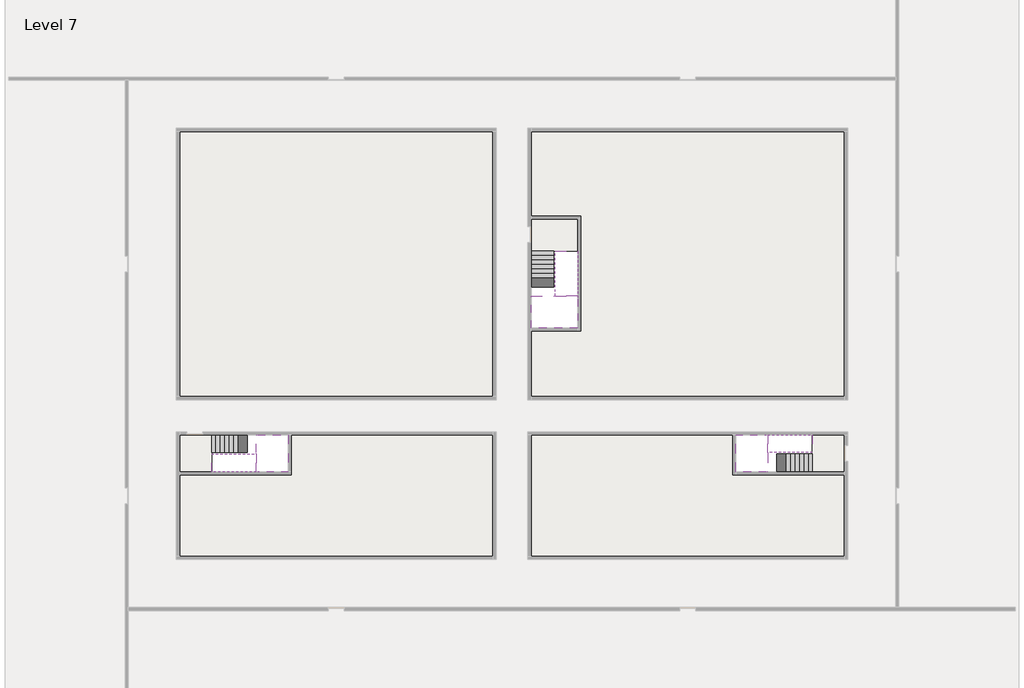
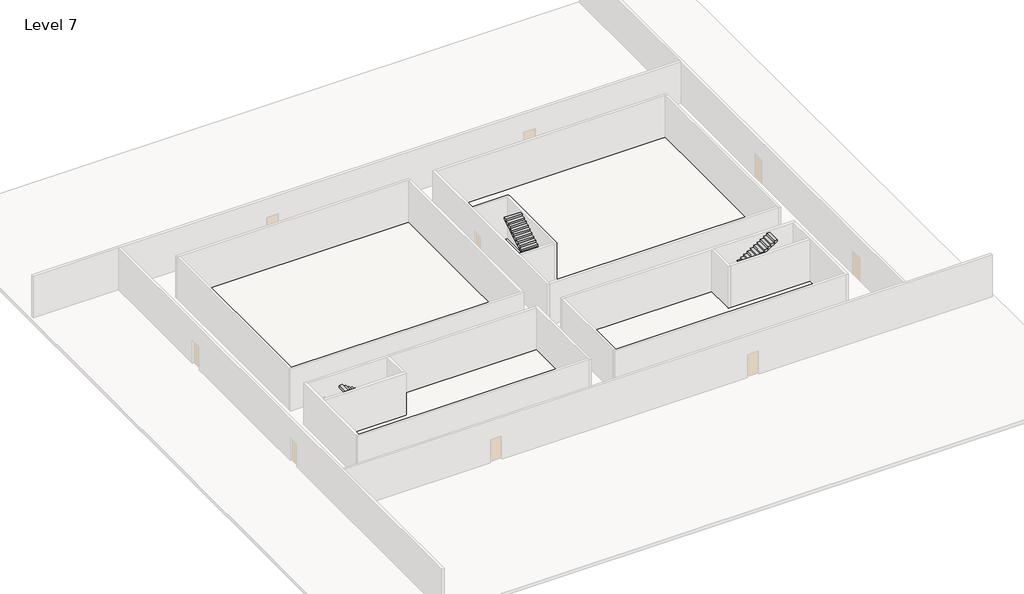
# One storey, part 2 of 2: 6 stair flights, 5 slabs.
"""IFC4 building model written with IfcOpenShell, lengths in millimetres."""

import ifcopenshell
import ifcopenshell.guid

model = None  # the IFC model being written
_history = None  # IfcOwnerHistory: only IFC2X3 demands one
_inside = {}  # id of a spatial element -> (the spatial element, [elements in it])
_under = {}  # id of a project, library or spatial element -> (it, [spatial elements below it])
_declared = {}  # id of a project -> (the project, [libraries it declares])
_typed = {}  # id of a type object -> (the type object, [elements of that type])
_made_of = {}  # id of a material, layer set ... -> (it, [elements and type objects made of it])


def new_model(schema):
    """Start an empty IFC model of exactly this schema.

    Asked for "IFC4X3", IfcOpenShell would pick the latest addendum, in which some entities
    have other attributes; the version numbers below select the first issue.
    IFC2X3 requires an IfcOwnerHistory on every rooted entity: one is made here for all.
    """
    global model, _history
    if schema == "IFC4X3":
        model = ifcopenshell.file(schema_version=(4, 3, 0, 0))
    else:
        model = ifcopenshell.file(schema=schema)
    _inside.clear()
    _under.clear()
    _declared.clear()
    _typed.clear()
    _made_of.clear()
    _history = None
    if model.schema == "IFC2X3":
        org = make("IfcOrganization", Name="unknown")
        user = make(
            "IfcPersonAndOrganization",
            ThePerson=make("IfcPerson", FamilyName="unknown"),
            TheOrganization=org,
        )
        app = make(
            "IfcApplication",
            ApplicationDeveloper=org,
            Version="unknown",
            ApplicationFullName="unknown",
            ApplicationIdentifier="unknown",
        )
        _history = make(
            "IfcOwnerHistory",
            OwningUser=user,
            OwningApplication=app,
            ChangeAction="ADDED",
            CreationDate=0,
        )
    return model


def make(cls, **values):
    """One entity of the class cls with the attributes given. An attribute that is None is left unset."""
    return model.create_entity(
        cls, **{name: value for name, value in values.items() if value is not None}
    )


def rooted(cls, **values):
    """An entity with a GlobalId (a new one), such as an element, a storey or a relation."""
    return make(cls, GlobalId=ifcopenshell.guid.new(), OwnerHistory=_history, **values)


def si_unit(unit_type, name, prefix=None):
    """IfcSIUnit, for example si_unit("LENGTHUNIT", "METRE", prefix="MILLI")."""
    return make("IfcSIUnit", UnitType=unit_type, Prefix=prefix, Name=name)


def assignment(units):
    """IfcUnitAssignment: the units of a project."""
    return None if units is None else make("IfcUnitAssignment", Units=units)


def point(xyz):
    """IfcCartesianPoint."""
    return None if xyz is None else make("IfcCartesianPoint", Coordinates=xyz)


def direction(xyz):
    """IfcDirection."""
    return None if xyz is None else make("IfcDirection", DirectionRatios=xyz)


def frame(location, z_axis=None, x_axis=None):
    """IfcAxis2Placement3D, a coordinate frame: its origin and axes. An axis left out is left unset."""
    return make(
        "IfcAxis2Placement3D",
        Location=point(location),
        Axis=direction(z_axis),
        RefDirection=direction(x_axis),
    )


def origin():
    """The frame at (0, 0, 0) with its axes left unset."""
    return frame((0.0, 0.0, 0.0))


def place(relative_to, where):
    """IfcLocalPlacement: puts the frame where relative to a parent placement (None: the world)."""
    return make(
        "IfcLocalPlacement", PlacementRelTo=relative_to, RelativePlacement=where
    )


def context(
    kind, dimensions, precision=None, world=None, true_north=None, identifier=None
):
    """IfcGeometricRepresentationContext, for example the 3D "Model" context."""
    return make(
        "IfcGeometricRepresentationContext",
        ContextIdentifier=identifier,
        ContextType=kind,
        CoordinateSpaceDimension=dimensions,
        Precision=precision,
        WorldCoordinateSystem=world,
        TrueNorth=true_north,
    )


def project(units=None, contexts=None):
    """IfcProject with its units and contexts."""
    return rooted(
        "IfcProject",
        Name="project",
        RepresentationContexts=contexts,
        UnitsInContext=assignment(units),
    )


def spatial(cls, under=None, at=None, **own):
    """A site, building, storey or space (cls), placed at a placement, below another one or the project."""
    s = rooted(cls, ObjectPlacement=at, **own)
    if under is not None:
        _under.setdefault(under.id(), (under, []))[1].append(s)
    return s


def polyline(points):
    """IfcPolyline through the points."""
    return make("IfcPolyline", Points=[point(p) for p in points])


def outline(outer, holes=None, kind="AREA"):
    """IfcArbitraryClosedProfileDef: a profile drawn as a closed curve; with holes, ...WithVoids."""
    if holes is None:
        return make("IfcArbitraryClosedProfileDef", ProfileType=kind, OuterCurve=outer)
    return make(
        "IfcArbitraryProfileDefWithVoids",
        ProfileType=kind,
        OuterCurve=outer,
        InnerCurves=holes,
    )


def extrude(swept, where, along, depth):
    """IfcExtrudedAreaSolid: the profile swept, set in the frame where, extruded along a direction by depth."""
    return make(
        "IfcExtrudedAreaSolid",
        SweptArea=swept,
        Position=where,
        ExtrudedDirection=direction(along),
        Depth=depth,
    )


def faces_of(points, faces, orient=None, outer=None):
    """IfcFace entities. A face is a list of loops; a loop is a list of indices into points, from 0.

    orient and outer hold one flag for each loop. By default every Orientation is true, the
    first loop of a face is its IfcFaceOuterBound and the others are IfcFaceBound.
    """
    made = []
    for i, loops in enumerate(faces):
        bounds = []
        for j, loop in enumerate(loops):
            is_outer = j == 0 if outer is None else outer[i][j]
            bounds.append(
                make(
                    "IfcFaceOuterBound" if is_outer else "IfcFaceBound",
                    Bound=make("IfcPolyLoop", Polygon=[points[k] for k in loop]),
                    Orientation=True if orient is None else orient[i][j],
                )
            )
        made.append(make("IfcFace", Bounds=bounds))
    return made


def faceted_brep(points, faces, orient=None, outer=None, voids=None):
    """IfcFacetedBrep: a solid bounded by flat faces; with voids (closed shells), ...WithVoids."""
    shared = [point(p) for p in points]
    hull = make("IfcClosedShell", CfsFaces=faces_of(shared, faces, orient, outer))
    if voids is None:
        return make("IfcFacetedBrep", Outer=hull)
    return make(
        "IfcFacetedBrepWithVoids",
        Outer=hull,
        Voids=[
            make(cls, CfsFaces=faces_of(shared, fs, o, b)) for cls, fs, o, b in voids
        ],
    )


def shape(context_of_items, identifier, shape_type, items):
    """IfcShapeRepresentation: the items that make up one representation, for example the "Body"."""
    return make(
        "IfcShapeRepresentation",
        ContextOfItems=context_of_items,
        RepresentationIdentifier=identifier,
        RepresentationType=shape_type,
        Items=items,
    )


def made_of(thing, what):
    """Note that an element or type object is made of a material, layer set ...; save() writes the relation."""
    if what is not None:
        _made_of.setdefault(what.id(), (what, []))[1].append(thing)
    return thing


def element(
    cls,
    number,
    at=None,
    inside=None,
    cuts=None,
    type_object=None,
    material=None,
    context=None,
    identifier="Body",
    shape_type=None,
    held_by="IfcProductDefinitionShape",
    body=None,
    shapes=None,
    **own,
):
    """One element of the class cls, such as IfcWall. Its Tag is "e" and its number.

    at: its placement. inside: the storey or other place that contains it. cuts: it is an
    opening in that element (IfcRelVoidsElement). A single representation is given by context,
    identifier, shape_type and body (its items); several are given by shapes. held_by: the class
    of the entity that holds the representations. save() writes the other relations.
    """
    e = rooted(cls, Tag="e%d" % number, ObjectPlacement=at, **own)
    if body is not None:
        shapes = [shape(context, identifier, shape_type, body)]
    if shapes is not None:
        e.Representation = make(held_by, Representations=shapes)
    if inside is not None:
        _inside.setdefault(inside.id(), (inside, []))[1].append(e)
    if cuts is not None:
        rooted(
            "IfcRelVoidsElement", RelatingBuildingElement=cuts, RelatedOpeningElement=e
        )
    if type_object is not None:
        _typed.setdefault(type_object.id(), (type_object, []))[1].append(e)
    return made_of(e, material)


def aggregate(whole, parts):
    """IfcRelAggregates: a whole, such as a stair, and the parts it consists of."""
    return rooted("IfcRelAggregates", RelatingObject=whole, RelatedObjects=parts)


def save(model, path):
    """Write the relations noted so far, then the file.

    IfcRelAggregates (storeys below a building ...), IfcRelContainedInSpatialStructure (elements
    in a storey), IfcRelDefinesByType, IfcRelAssociatesMaterial and IfcRelDeclares: one each for
    every whole, place, type object, material and project.
    """
    for whole, parts in _under.values():
        aggregate(whole, parts)
    for where, things in _inside.values():
        rooted(
            "IfcRelContainedInSpatialStructure",
            RelatedElements=things,
            RelatingStructure=where,
        )
    for kind, things in _typed.values():
        rooted("IfcRelDefinesByType", RelatedObjects=things, RelatingType=kind)
    for what, things in _made_of.values():
        rooted("IfcRelAssociatesMaterial", RelatedObjects=things, RelatingMaterial=what)
    for by, libraries in _declared.values():
        rooted("IfcRelDeclares", RelatingContext=by, RelatedDefinitions=libraries)
    model.write(path)


model = new_model("IFC4")

# Units and contexts
model_context = context("Model", 3, world=origin())
ifc_project = project(units=[si_unit("LENGTHUNIT", "METRE", prefix="MILLI")], contexts=[model_context])

# Site, building, storey
site = spatial("IfcSite", under=ifc_project)
building = spatial("IfcBuilding", under=site)
storey = spatial("IfcBuildingStorey", under=building, Name="Level 7", Elevation=22800.0)

# Slabs
placement = place(None, origin())
element("IfcSlab", 1, at=placement, inside=storey, context=model_context, shape_type="Brep", body=[
    faceted_brep([(8190.1058784, -42918.09644, 24700.0), (8190.1058784, -44018.09644, 24700.0), (8190.1058784, -44118.09644, 24700.0), (8190.1058784, -45218.09644, 24700.0), (8390.7194421, -45218.09644, 24700.0), (10190.1058784, -45218.09644, 24700.0), (10190.1058784, -42918.09644, 24700.0), (8269.4923146, -42918.09644, 24700.0), (8190.1058784, -42918.09644, 24527.2727273), (8190.1058784, -42918.09644, 24351.0278478), (8190.1058784, -44018.09644, 24351.0278478), (8190.1058784, -44018.09644, 24400.0), (8190.1058784, -44118.09644, 24400.0), (8190.1058784, -44118.09644, 24523.7551205), (8190.1058784, -45218.09644, 24523.7551205), (8390.7194421, -45218.09644, 24400.0), (10190.1058784, -45218.09644, 24400.0), (10190.1058784, -42918.09644, 24400.0), (8269.4923146, -42918.09644, 24400.0), (8390.7194421, -44118.09644, 24400.0), (8269.4923146, -44018.09644, 24400.0)], [[[0, 1, 2, 3, 4, 5, 6, 7]], [[1, 0, 8, 9, 10, 11]], [[2, 1, 11, 12, 13]], [[3, 2, 13, 14]], [[3, 14, 15, 16, 5, 4]], [[6, 5, 16, 17]], [[9, 8, 0, 7, 6, 17, 18]], [[19, 12, 11, 20, 18, 17, 16, 15]], [[12, 19, 13]], [[18, 20, 10, 9]], [[20, 11, 10]], [[19, 15, 14, 13]]]),
])
element("IfcSlab", 2, at=placement, inside=storey, context=model_context, shape_type="Brep", body=[
    faceted_brep([(40190.1058784, -45218.09644, 24700.0), (40190.1058784, -44118.09644, 24700.0), (40190.1058784, -44018.09644, 24700.0), (40190.1058784, -42918.09644, 24700.0), (39989.4923146, -42918.09644, 24700.0), (38190.1058784, -42918.09644, 24700.0), (38190.1058784, -45218.09644, 24700.0), (40110.7194421, -45218.09644, 24700.0), (40190.1058784, -45218.09644, 24527.2727273), (40190.1058784, -45218.09644, 24351.0278478), (40190.1058784, -44118.09644, 24351.0278478), (40190.1058784, -44118.09644, 24400.0), (40190.1058784, -44018.09644, 24400.0), (40190.1058784, -44018.09644, 24523.7551205), (40190.1058784, -42918.09644, 24523.7551205), (39989.4923146, -42918.09644, 24400.0), (38190.1058784, -42918.09644, 24400.0), (38190.1058784, -45218.09644, 24400.0), (40110.7194421, -45218.09644, 24400.0), (39989.4923146, -44018.09644, 24400.0), (40110.7194421, -44118.09644, 24400.0)], [[[0, 1, 2, 3, 4, 5, 6, 7]], [[1, 0, 8, 9, 10, 11]], [[2, 1, 11, 12, 13]], [[3, 2, 13, 14]], [[3, 14, 15, 16, 5, 4]], [[6, 5, 16, 17]], [[9, 8, 0, 7, 6, 17, 18]], [[19, 12, 11, 20, 18, 17, 16, 15]], [[12, 19, 13]], [[18, 20, 10, 9]], [[20, 11, 10]], [[19, 15, 14, 13]]]),
])
element("IfcSlab", 3, at=placement, inside=storey, context=model_context, shape_type="Brep", body=[
    faceted_brep([(26790.1058784, -34218.09644, 24700.0), (25390.1058784, -34218.09644, 24700.0), (25390.1058784, -34297.4828763, 24700.0), (25390.1058784, -36218.09644, 24700.0), (28290.1058784, -36218.09644, 24700.0), (28290.1058784, -34418.7100038, 24700.0), (28290.1058784, -34218.09644, 24700.0), (26890.1058784, -34218.09644, 24700.0), (26790.1058784, -34218.09644, 24400.0), (26790.1058784, -34218.09644, 24351.0278478), (25390.1058784, -34218.09644, 24351.0278478), (25390.1058784, -34218.09644, 24527.2727273), (25390.1058784, -34297.4828763, 24400.0), (25390.1058784, -36218.09644, 24400.0), (28290.1058784, -36218.09644, 24400.0), (28290.1058784, -34418.7100038, 24400.0), (28290.1058784, -34218.09644, 24523.7551205), (26890.1058784, -34218.09644, 24523.7551205), (26890.1058784, -34218.09644, 24400.0), (26890.1058784, -34418.7100038, 24400.0), (26790.1058784, -34297.4828763, 24400.0)], [[[0, 1, 2, 3, 4, 5, 6, 7]], [[1, 0, 8, 9, 10, 11]], [[1, 11, 10, 12, 13, 3, 2]], [[4, 3, 13, 14]], [[4, 14, 15, 16, 6, 5]], [[7, 6, 16, 17]], [[0, 7, 17, 18, 8]], [[18, 19, 15, 14, 13, 12, 20, 8]], [[19, 18, 17]], [[20, 12, 10, 9]], [[8, 20, 9]], [[15, 19, 17, 16]]]),
])
element("IfcSlab", 4, at=placement, inside=storey, context=model_context, shape_type="SweptSolid", body=[
    extrude(outline(polyline([(22990.1058784, -23918.09644), (22990.1058784, -40518.09644), (3390.1058784, -40518.09644), (3390.1058784, -23918.09644), (22990.1058784, -23918.09644)])), frame((0.0, 0.0, 22500.0), z_axis=(0.0, 0.0, 1.0), x_axis=(1.0, 0.0, 0.0)), (0.0, 0.0, 1.0), 300.0),
    extrude(outline(polyline([(44990.1058784, -23918.09644), (44990.1058784, -40518.09644), (25390.1058784, -40518.09644), (25390.1058784, -36418.09644), (28490.1058784, -36418.09644), (28490.1058784, -29218.09644), (25390.1058784, -29218.09644), (25390.1058784, -23918.09644), (44990.1058784, -23918.09644)])), frame((0.0, 0.0, 22500.0), z_axis=(0.0, 0.0, 1.0), x_axis=(1.0, 0.0, 0.0)), (0.0, 0.0, 1.0), 300.0),
    extrude(outline(polyline([(22990.1058784, -42918.09644), (22990.1058784, -50518.09644), (3390.1058784, -50518.09644), (3390.1058784, -45418.09644), (10390.1058784, -45418.09644), (10390.1058784, -42918.09644), (22990.1058784, -42918.09644)])), frame((0.0, 0.0, 22500.0), z_axis=(0.0, 0.0, 1.0), x_axis=(1.0, 0.0, 0.0)), (0.0, 0.0, 1.0), 300.0),
    extrude(outline(polyline([(37990.1058784, -42918.09644), (37990.1058784, -45418.09644), (44990.1058784, -45418.09644), (44990.1058784, -50518.09644), (25390.1058784, -50518.09644), (25390.1058784, -42918.09644), (37990.1058784, -42918.09644)])), frame((0.0, 0.0, 22500.0), z_axis=(0.0, 0.0, 1.0), x_axis=(1.0, 0.0, 0.0)), (0.0, 0.0, 1.0), 300.0),
])
element("IfcSlab", 5, at=placement, inside=storey, context=model_context, shape_type="SweptSolid", body=[
    extrude(outline(polyline([(44990.1058784, -42918.09644), (44990.1058784, -45218.09644), (42990.1058784, -45218.09644), (42990.1058784, -42918.09644), (44990.1058784, -42918.09644)])), frame((0.0, 0.0, 22500.0), z_axis=(0.0, 0.0, 1.0), x_axis=(1.0, 0.0, 0.0)), (0.0, 0.0, 1.0), 300.0),
    extrude(outline(polyline([(5390.1058784, -42918.09644), (5390.1058784, -45218.09644), (3390.1058784, -45218.09644), (3390.1058784, -42918.09644), (5390.1058784, -42918.09644)])), frame((0.0, 0.0, 22500.0), z_axis=(0.0, 0.0, 1.0), x_axis=(1.0, 0.0, 0.0)), (0.0, 0.0, 1.0), 300.0),
    extrude(outline(polyline([(28290.1058784, -29418.09644), (28290.1058784, -31418.09644), (25390.1058784, -31418.09644), (25390.1058784, -29418.09644), (28290.1058784, -29418.09644)])), frame((0.0, 0.0, 22500.0), z_axis=(0.0, 0.0, 1.0), x_axis=(1.0, 0.0, 0.0)), (0.0, 0.0, 1.0), 300.0),
])

# Stair flights
element("IfcStairFlight", 6, at=placement, inside=storey, context=model_context, shape_type="Brep", body=[
    faceted_brep([(5670.1058784, -42918.09644, 22972.7272727), (5390.1058784, -42918.09644, 22972.7272727), (5390.1058784, -44018.09644, 22972.7272727), (5670.1058784, -44018.09644, 22972.7272727), (5670.1058784, -42918.09644, 22800.0), (5390.1058784, -42918.09644, 22800.0), (5390.1058784, -44018.09644, 22800.0), (5670.1058784, -44018.09644, 22800.0), (5950.1058784, -42918.09644, 23145.4545455), (5670.1058784, -42918.09644, 23145.4545455), (5670.1058784, -44018.09644, 23145.4545455), (5950.1058784, -44018.09644, 23145.4545455), (5950.1058784, -42918.09644, 22969.209666), (5675.8081041, -42918.09644, 22800.0), (5675.8081041, -44018.09644, 22800.0), (5950.1058784, -44018.09644, 22969.209666), (6230.1058784, -42918.09644, 23318.1818182), (5950.1058784, -42918.09644, 23318.1818182), (5950.1058784, -44018.09644, 23318.1818182), (6230.1058784, -44018.09644, 23318.1818182), (6230.1058784, -42918.09644, 23141.9369387), (6230.1058784, -44018.09644, 23141.9369387), (6510.1058784, -42918.09644, 23490.9090909), (6230.1058784, -42918.09644, 23490.9090909), (6230.1058784, -44018.09644, 23490.9090909), (6510.1058784, -44018.09644, 23490.9090909), (6510.1058784, -42918.09644, 23314.6642114), (6510.1058784, -44018.09644, 23314.6642114), (6790.1058784, -42918.09644, 23663.6363636), (6510.1058784, -42918.09644, 23663.6363636), (6510.1058784, -44018.09644, 23663.6363636), (6790.1058784, -44018.09644, 23663.6363636), (6790.1058784, -42918.09644, 23487.3914841), (6790.1058784, -44018.09644, 23487.3914841), (7070.1058784, -42918.09644, 23836.3636364), (6790.1058784, -42918.09644, 23836.3636364), (6790.1058784, -44018.09644, 23836.3636364), (7070.1058784, -44018.09644, 23836.3636364), (7070.1058784, -42918.09644, 23660.1187569), (7070.1058784, -44018.09644, 23660.1187569), (7350.1058784, -42918.09644, 24009.0909091), (7070.1058784, -42918.09644, 24009.0909091), (7070.1058784, -44018.09644, 24009.0909091), (7350.1058784, -44018.09644, 24009.0909091), (7350.1058784, -42918.09644, 23832.8460296), (7350.1058784, -44018.09644, 23832.8460296), (7630.1058784, -42918.09644, 24181.8181818), (7350.1058784, -42918.09644, 24181.8181818), (7350.1058784, -44018.09644, 24181.8181818), (7630.1058784, -44018.09644, 24181.8181818), (7630.1058784, -42918.09644, 24005.5733023), (7630.1058784, -44018.09644, 24005.5733023), (7910.1058784, -42918.09644, 24354.5454545), (7630.1058784, -42918.09644, 24354.5454545), (7630.1058784, -44018.09644, 24354.5454545), (7910.1058784, -44018.09644, 24354.5454545), (7910.1058784, -42918.09644, 24178.3005751), (7910.1058784, -44018.09644, 24178.3005751), (8190.1058784, -42918.09644, 24527.2727273), (7910.1058784, -42918.09644, 24527.2727273), (7910.1058784, -44018.09644, 24527.2727273), (8190.1058784, -44018.09644, 24527.2727273), (8190.1058784, -42918.09644, 24351.0278478), (8190.1058784, -44018.09644, 24351.0278478), (8190.1058784, -44018.09644, 24400.0)], [[[0, 1, 2, 3]], [[1, 0, 4, 5]], [[2, 1, 5, 6]], [[3, 2, 6, 7]], [[8, 9, 10, 11]], [[4, 0, 9, 8, 12, 13]], [[0, 3, 10, 9]], [[3, 7, 14, 15, 11, 10]], [[16, 17, 18, 19]], [[17, 16, 20, 12, 8]], [[8, 11, 18, 17]], [[19, 18, 11, 15, 21]], [[22, 23, 24, 25]], [[23, 22, 26, 20, 16]], [[16, 19, 24, 23]], [[25, 24, 19, 21, 27]], [[28, 29, 30, 31]], [[29, 28, 32, 26, 22]], [[22, 25, 30, 29]], [[31, 30, 25, 27, 33]], [[34, 35, 36, 37]], [[35, 34, 38, 32, 28]], [[28, 31, 36, 35]], [[37, 36, 31, 33, 39]], [[40, 41, 42, 43]], [[41, 40, 44, 38, 34]], [[34, 37, 42, 41]], [[43, 42, 37, 39, 45]], [[46, 47, 48, 49]], [[47, 46, 50, 44, 40]], [[40, 43, 48, 47]], [[49, 48, 43, 45, 51]], [[52, 53, 54, 55]], [[53, 52, 56, 50, 46]], [[46, 49, 54, 53]], [[55, 54, 49, 51, 57]], [[58, 59, 60, 61]], [[59, 58, 62, 56, 52]], [[52, 55, 60, 59]], [[61, 60, 55, 57, 63, 64]], [[58, 61, 64, 63, 62]], [[5, 4, 13, 14, 7, 6]], [[14, 13, 12, 20, 26, 32, 38, 44, 50, 56, 62, 63, 57, 51, 45, 39, 33, 27, 21, 15]]]),
])
element("IfcStairFlight", 7, at=placement, inside=storey, context=model_context, shape_type="Brep", body=[
    faceted_brep([(7910.1058784, -45218.09644, 24872.7272727), (8190.1058784, -45218.09644, 24872.7272727), (8190.1058784, -44118.09644, 24872.7272727), (7910.1058784, -44118.09644, 24872.7272727), (7910.1058784, -45218.09644, 24696.4823932), (8190.1058784, -45218.09644, 24523.7551205), (8190.1058784, -45218.09644, 24700.0), (8190.1058784, -44118.09644, 24523.7551205), (7910.1058784, -44118.09644, 24696.4823932), (7630.1058784, -45218.09644, 25045.4545455), (7910.1058784, -45218.09644, 25045.4545455), (7910.1058784, -44118.09644, 25045.4545455), (7630.1058784, -44118.09644, 25045.4545455), (7630.1058784, -45218.09644, 24869.209666), (7630.1058784, -44118.09644, 24869.209666), (7350.1058784, -45218.09644, 25218.1818182), (7630.1058784, -45218.09644, 25218.1818182), (7630.1058784, -44118.09644, 25218.1818182), (7350.1058784, -44118.09644, 25218.1818182), (7350.1058784, -45218.09644, 25041.9369387), (7350.1058784, -44118.09644, 25041.9369387), (7070.1058784, -45218.09644, 25390.9090909), (7350.1058784, -45218.09644, 25390.9090909), (7350.1058784, -44118.09644, 25390.9090909), (7070.1058784, -44118.09644, 25390.9090909), (7070.1058784, -45218.09644, 25214.6642114), (7070.1058784, -44118.09644, 25214.6642114), (6790.1058784, -45218.09644, 25563.6363636), (7070.1058784, -45218.09644, 25563.6363636), (7070.1058784, -44118.09644, 25563.6363636), (6790.1058784, -44118.09644, 25563.6363636), (6790.1058784, -45218.09644, 25387.3914841), (6790.1058784, -44118.09644, 25387.3914841), (6510.1058784, -45218.09644, 25736.3636364), (6790.1058784, -45218.09644, 25736.3636364), (6790.1058784, -44118.09644, 25736.3636364), (6510.1058784, -44118.09644, 25736.3636364), (6510.1058784, -45218.09644, 25560.1187569), (6510.1058784, -44118.09644, 25560.1187569), (6230.1058784, -45218.09644, 25909.0909091), (6510.1058784, -45218.09644, 25909.0909091), (6510.1058784, -44118.09644, 25909.0909091), (6230.1058784, -44118.09644, 25909.0909091), (6230.1058784, -45218.09644, 25732.8460296), (6230.1058784, -44118.09644, 25732.8460296), (5950.1058784, -45218.09644, 26081.8181818), (6230.1058784, -45218.09644, 26081.8181818), (6230.1058784, -44118.09644, 26081.8181818), (5950.1058784, -44118.09644, 26081.8181818), (5950.1058784, -45218.09644, 25905.5733023), (5950.1058784, -44118.09644, 25905.5733023), (5670.1058784, -45218.09644, 26254.5454545), (5950.1058784, -45218.09644, 26254.5454545), (5950.1058784, -44118.09644, 26254.5454545), (5670.1058784, -44118.09644, 26254.5454545), (5670.1058784, -45218.09644, 26078.3005751), (5670.1058784, -44118.09644, 26078.3005751), (5390.1058784, -45218.09644, 26427.2727273), (5670.1058784, -45218.09644, 26427.2727273), (5670.1058784, -44118.09644, 26427.2727273), (5390.1058784, -44118.09644, 26427.2727273), (5390.1058784, -45218.09644, 26251.0278478), (5390.1058784, -44118.09644, 26251.0278478)], [[[0, 1, 2, 3]], [[1, 0, 4, 5, 6]], [[2, 1, 6, 5, 7]], [[3, 2, 7, 8]], [[9, 10, 11, 12]], [[10, 9, 13, 4, 0]], [[11, 10, 0, 3]], [[12, 11, 3, 8, 14]], [[15, 16, 17, 18]], [[16, 15, 19, 13, 9]], [[17, 16, 9, 12]], [[18, 17, 12, 14, 20]], [[21, 22, 23, 24]], [[22, 21, 25, 19, 15]], [[23, 22, 15, 18]], [[24, 23, 18, 20, 26]], [[27, 28, 29, 30]], [[28, 27, 31, 25, 21]], [[29, 28, 21, 24]], [[30, 29, 24, 26, 32]], [[33, 34, 35, 36]], [[34, 33, 37, 31, 27]], [[35, 34, 27, 30]], [[36, 35, 30, 32, 38]], [[39, 40, 41, 42]], [[40, 39, 43, 37, 33]], [[41, 40, 33, 36]], [[42, 41, 36, 38, 44]], [[45, 46, 47, 48]], [[46, 45, 49, 43, 39]], [[47, 46, 39, 42]], [[48, 47, 42, 44, 50]], [[51, 52, 53, 54]], [[52, 51, 55, 49, 45]], [[53, 52, 45, 48]], [[54, 53, 48, 50, 56]], [[57, 58, 59, 60]], [[58, 57, 61, 55, 51]], [[59, 58, 51, 54]], [[60, 59, 54, 56, 62]], [[57, 60, 62, 61]], [[5, 4, 13, 19, 25, 31, 37, 43, 49, 55, 61, 62, 56, 50, 44, 38, 32, 26, 20, 14, 8, 7]]]),
])
element("IfcStairFlight", 8, at=placement, inside=storey, context=model_context, shape_type="Brep", body=[
    faceted_brep([(42710.1058784, -45218.09644, 22972.7272727), (42990.1058784, -45218.09644, 22972.7272727), (42990.1058784, -44118.09644, 22972.7272727), (42710.1058784, -44118.09644, 22972.7272727), (42710.1058784, -45218.09644, 22800.0), (42990.1058784, -45218.09644, 22800.0), (42990.1058784, -44118.09644, 22800.0), (42710.1058784, -44118.09644, 22800.0), (42430.1058784, -45218.09644, 23145.4545455), (42710.1058784, -45218.09644, 23145.4545455), (42710.1058784, -44118.09644, 23145.4545455), (42430.1058784, -44118.09644, 23145.4545455), (42430.1058784, -45218.09644, 22969.209666), (42704.4036527, -45218.09644, 22800.0), (42704.4036527, -44118.09644, 22800.0), (42430.1058784, -44118.09644, 22969.209666), (42150.1058784, -45218.09644, 23318.1818182), (42430.1058784, -45218.09644, 23318.1818182), (42430.1058784, -44118.09644, 23318.1818182), (42150.1058784, -44118.09644, 23318.1818182), (42150.1058784, -45218.09644, 23141.9369387), (42150.1058784, -44118.09644, 23141.9369387), (41870.1058784, -45218.09644, 23490.9090909), (42150.1058784, -45218.09644, 23490.9090909), (42150.1058784, -44118.09644, 23490.9090909), (41870.1058784, -44118.09644, 23490.9090909), (41870.1058784, -45218.09644, 23314.6642114), (41870.1058784, -44118.09644, 23314.6642114), (41590.1058784, -45218.09644, 23663.6363636), (41870.1058784, -45218.09644, 23663.6363636), (41870.1058784, -44118.09644, 23663.6363636), (41590.1058784, -44118.09644, 23663.6363636), (41590.1058784, -45218.09644, 23487.3914841), (41590.1058784, -44118.09644, 23487.3914841), (41310.1058784, -45218.09644, 23836.3636364), (41590.1058784, -45218.09644, 23836.3636364), (41590.1058784, -44118.09644, 23836.3636364), (41310.1058784, -44118.09644, 23836.3636364), (41310.1058784, -45218.09644, 23660.1187569), (41310.1058784, -44118.09644, 23660.1187569), (41030.1058784, -45218.09644, 24009.0909091), (41310.1058784, -45218.09644, 24009.0909091), (41310.1058784, -44118.09644, 24009.0909091), (41030.1058784, -44118.09644, 24009.0909091), (41030.1058784, -45218.09644, 23832.8460296), (41030.1058784, -44118.09644, 23832.8460296), (40750.1058784, -45218.09644, 24181.8181818), (41030.1058784, -45218.09644, 24181.8181818), (41030.1058784, -44118.09644, 24181.8181818), (40750.1058784, -44118.09644, 24181.8181818), (40750.1058784, -45218.09644, 24005.5733023), (40750.1058784, -44118.09644, 24005.5733023), (40470.1058784, -45218.09644, 24354.5454545), (40750.1058784, -45218.09644, 24354.5454545), (40750.1058784, -44118.09644, 24354.5454545), (40470.1058784, -44118.09644, 24354.5454545), (40470.1058784, -45218.09644, 24178.3005751), (40470.1058784, -44118.09644, 24178.3005751), (40190.1058784, -45218.09644, 24527.2727273), (40470.1058784, -45218.09644, 24527.2727273), (40470.1058784, -44118.09644, 24527.2727273), (40190.1058784, -44118.09644, 24527.2727273), (40190.1058784, -45218.09644, 24351.0278478), (40190.1058784, -44118.09644, 24351.0278478), (40190.1058784, -44118.09644, 24400.0)], [[[0, 1, 2, 3]], [[1, 0, 4, 5]], [[2, 1, 5, 6]], [[3, 2, 6, 7]], [[8, 9, 10, 11]], [[4, 0, 9, 8, 12, 13]], [[0, 3, 10, 9]], [[3, 7, 14, 15, 11, 10]], [[16, 17, 18, 19]], [[17, 16, 20, 12, 8]], [[8, 11, 18, 17]], [[19, 18, 11, 15, 21]], [[22, 23, 24, 25]], [[23, 22, 26, 20, 16]], [[16, 19, 24, 23]], [[25, 24, 19, 21, 27]], [[28, 29, 30, 31]], [[29, 28, 32, 26, 22]], [[22, 25, 30, 29]], [[31, 30, 25, 27, 33]], [[34, 35, 36, 37]], [[35, 34, 38, 32, 28]], [[28, 31, 36, 35]], [[37, 36, 31, 33, 39]], [[40, 41, 42, 43]], [[41, 40, 44, 38, 34]], [[34, 37, 42, 41]], [[43, 42, 37, 39, 45]], [[46, 47, 48, 49]], [[47, 46, 50, 44, 40]], [[40, 43, 48, 47]], [[49, 48, 43, 45, 51]], [[52, 53, 54, 55]], [[53, 52, 56, 50, 46]], [[46, 49, 54, 53]], [[55, 54, 49, 51, 57]], [[58, 59, 60, 61]], [[59, 58, 62, 56, 52]], [[52, 55, 60, 59]], [[61, 60, 55, 57, 63, 64]], [[58, 61, 64, 63, 62]], [[5, 4, 13, 14, 7, 6]], [[14, 13, 12, 20, 26, 32, 38, 44, 50, 56, 62, 63, 57, 51, 45, 39, 33, 27, 21, 15]]]),
])
element("IfcStairFlight", 9, at=placement, inside=storey, context=model_context, shape_type="Brep", body=[
    faceted_brep([(40470.1058784, -42918.09644, 24872.7272727), (40190.1058784, -42918.09644, 24872.7272727), (40190.1058784, -44018.09644, 24872.7272727), (40470.1058784, -44018.09644, 24872.7272727), (40470.1058784, -42918.09644, 24696.4823932), (40190.1058784, -42918.09644, 24523.7551205), (40190.1058784, -42918.09644, 24700.0), (40190.1058784, -44018.09644, 24523.7551205), (40470.1058784, -44018.09644, 24696.4823932), (40750.1058784, -42918.09644, 25045.4545455), (40470.1058784, -42918.09644, 25045.4545455), (40470.1058784, -44018.09644, 25045.4545455), (40750.1058784, -44018.09644, 25045.4545455), (40750.1058784, -42918.09644, 24869.209666), (40750.1058784, -44018.09644, 24869.209666), (41030.1058784, -42918.09644, 25218.1818182), (40750.1058784, -42918.09644, 25218.1818182), (40750.1058784, -44018.09644, 25218.1818182), (41030.1058784, -44018.09644, 25218.1818182), (41030.1058784, -42918.09644, 25041.9369387), (41030.1058784, -44018.09644, 25041.9369387), (41310.1058784, -42918.09644, 25390.9090909), (41030.1058784, -42918.09644, 25390.9090909), (41030.1058784, -44018.09644, 25390.9090909), (41310.1058784, -44018.09644, 25390.9090909), (41310.1058784, -42918.09644, 25214.6642114), (41310.1058784, -44018.09644, 25214.6642114), (41590.1058784, -42918.09644, 25563.6363636), (41310.1058784, -42918.09644, 25563.6363636), (41310.1058784, -44018.09644, 25563.6363636), (41590.1058784, -44018.09644, 25563.6363636), (41590.1058784, -42918.09644, 25387.3914841), (41590.1058784, -44018.09644, 25387.3914841), (41870.1058784, -42918.09644, 25736.3636364), (41590.1058784, -42918.09644, 25736.3636364), (41590.1058784, -44018.09644, 25736.3636364), (41870.1058784, -44018.09644, 25736.3636364), (41870.1058784, -42918.09644, 25560.1187569), (41870.1058784, -44018.09644, 25560.1187569), (42150.1058784, -42918.09644, 25909.0909091), (41870.1058784, -42918.09644, 25909.0909091), (41870.1058784, -44018.09644, 25909.0909091), (42150.1058784, -44018.09644, 25909.0909091), (42150.1058784, -42918.09644, 25732.8460296), (42150.1058784, -44018.09644, 25732.8460296), (42430.1058784, -42918.09644, 26081.8181818), (42150.1058784, -42918.09644, 26081.8181818), (42150.1058784, -44018.09644, 26081.8181818), (42430.1058784, -44018.09644, 26081.8181818), (42430.1058784, -42918.09644, 25905.5733023), (42430.1058784, -44018.09644, 25905.5733023), (42710.1058784, -42918.09644, 26254.5454545), (42430.1058784, -42918.09644, 26254.5454545), (42430.1058784, -44018.09644, 26254.5454545), (42710.1058784, -44018.09644, 26254.5454545), (42710.1058784, -42918.09644, 26078.3005751), (42710.1058784, -44018.09644, 26078.3005751), (42990.1058784, -42918.09644, 26427.2727273), (42710.1058784, -42918.09644, 26427.2727273), (42710.1058784, -44018.09644, 26427.2727273), (42990.1058784, -44018.09644, 26427.2727273), (42990.1058784, -42918.09644, 26251.0278478), (42990.1058784, -44018.09644, 26251.0278478)], [[[0, 1, 2, 3]], [[1, 0, 4, 5, 6]], [[2, 1, 6, 5, 7]], [[3, 2, 7, 8]], [[9, 10, 11, 12]], [[10, 9, 13, 4, 0]], [[11, 10, 0, 3]], [[12, 11, 3, 8, 14]], [[15, 16, 17, 18]], [[16, 15, 19, 13, 9]], [[17, 16, 9, 12]], [[18, 17, 12, 14, 20]], [[21, 22, 23, 24]], [[22, 21, 25, 19, 15]], [[23, 22, 15, 18]], [[24, 23, 18, 20, 26]], [[27, 28, 29, 30]], [[28, 27, 31, 25, 21]], [[29, 28, 21, 24]], [[30, 29, 24, 26, 32]], [[33, 34, 35, 36]], [[34, 33, 37, 31, 27]], [[35, 34, 27, 30]], [[36, 35, 30, 32, 38]], [[39, 40, 41, 42]], [[40, 39, 43, 37, 33]], [[41, 40, 33, 36]], [[42, 41, 36, 38, 44]], [[45, 46, 47, 48]], [[46, 45, 49, 43, 39]], [[47, 46, 39, 42]], [[48, 47, 42, 44, 50]], [[51, 52, 53, 54]], [[52, 51, 55, 49, 45]], [[53, 52, 45, 48]], [[54, 53, 48, 50, 56]], [[57, 58, 59, 60]], [[58, 57, 61, 55, 51]], [[59, 58, 51, 54]], [[60, 59, 54, 56, 62]], [[57, 60, 62, 61]], [[5, 4, 13, 19, 25, 31, 37, 43, 49, 55, 61, 62, 56, 50, 44, 38, 32, 26, 20, 14, 8, 7]]]),
])
element("IfcStairFlight", 10, at=placement, inside=storey, context=model_context, shape_type="Brep", body=[
    faceted_brep([(26790.1058784, -31698.09644, 22972.7272727), (26790.1058784, -31418.09644, 22972.7272727), (25390.1058784, -31418.09644, 22972.7272727), (25390.1058784, -31698.09644, 22972.7272727), (26790.1058784, -31698.09644, 22800.0), (26790.1058784, -31418.09644, 22800.0), (25390.1058784, -31418.09644, 22800.0), (25390.1058784, -31698.09644, 22800.0), (26790.1058784, -31978.09644, 23145.4545455), (26790.1058784, -31698.09644, 23145.4545455), (25390.1058784, -31698.09644, 23145.4545455), (25390.1058784, -31978.09644, 23145.4545455), (26790.1058784, -31978.09644, 22969.209666), (26790.1058784, -31703.7986657, 22800.0), (25390.1058784, -31703.7986657, 22800.0), (25390.1058784, -31978.09644, 22969.209666), (26790.1058784, -32258.09644, 23318.1818182), (26790.1058784, -31978.09644, 23318.1818182), (25390.1058784, -31978.09644, 23318.1818182), (25390.1058784, -32258.09644, 23318.1818182), (26790.1058784, -32258.09644, 23141.9369387), (25390.1058784, -32258.09644, 23141.9369387), (26790.1058784, -32538.09644, 23490.9090909), (26790.1058784, -32258.09644, 23490.9090909), (25390.1058784, -32258.09644, 23490.9090909), (25390.1058784, -32538.09644, 23490.9090909), (26790.1058784, -32538.09644, 23314.6642114), (25390.1058784, -32538.09644, 23314.6642114), (26790.1058784, -32818.09644, 23663.6363636), (26790.1058784, -32538.09644, 23663.6363636), (25390.1058784, -32538.09644, 23663.6363636), (25390.1058784, -32818.09644, 23663.6363636), (26790.1058784, -32818.09644, 23487.3914841), (25390.1058784, -32818.09644, 23487.3914841), (26790.1058784, -33098.09644, 23836.3636364), (26790.1058784, -32818.09644, 23836.3636364), (25390.1058784, -32818.09644, 23836.3636364), (25390.1058784, -33098.09644, 23836.3636364), (26790.1058784, -33098.09644, 23660.1187569), (25390.1058784, -33098.09644, 23660.1187569), (26790.1058784, -33378.09644, 24009.0909091), (26790.1058784, -33098.09644, 24009.0909091), (25390.1058784, -33098.09644, 24009.0909091), (25390.1058784, -33378.09644, 24009.0909091), (26790.1058784, -33378.09644, 23832.8460296), (25390.1058784, -33378.09644, 23832.8460296), (26790.1058784, -33658.09644, 24181.8181818), (26790.1058784, -33378.09644, 24181.8181818), (25390.1058784, -33378.09644, 24181.8181818), (25390.1058784, -33658.09644, 24181.8181818), (26790.1058784, -33658.09644, 24005.5733023), (25390.1058784, -33658.09644, 24005.5733023), (26790.1058784, -33938.09644, 24354.5454545), (26790.1058784, -33658.09644, 24354.5454545), (25390.1058784, -33658.09644, 24354.5454545), (25390.1058784, -33938.09644, 24354.5454545), (26790.1058784, -33938.09644, 24178.3005751), (25390.1058784, -33938.09644, 24178.3005751), (26790.1058784, -34218.09644, 24527.2727273), (26790.1058784, -33938.09644, 24527.2727273), (25390.1058784, -33938.09644, 24527.2727273), (25390.1058784, -34218.09644, 24527.2727273), (26790.1058784, -34218.09644, 24400.0), (26790.1058784, -34218.09644, 24351.0278478), (25390.1058784, -34218.09644, 24351.0278478)], [[[0, 1, 2, 3]], [[1, 0, 4, 5]], [[2, 1, 5, 6]], [[3, 2, 6, 7]], [[8, 9, 10, 11]], [[4, 0, 9, 8, 12, 13]], [[0, 3, 10, 9]], [[3, 7, 14, 15, 11, 10]], [[16, 17, 18, 19]], [[17, 16, 20, 12, 8]], [[8, 11, 18, 17]], [[19, 18, 11, 15, 21]], [[22, 23, 24, 25]], [[23, 22, 26, 20, 16]], [[16, 19, 24, 23]], [[25, 24, 19, 21, 27]], [[28, 29, 30, 31]], [[29, 28, 32, 26, 22]], [[22, 25, 30, 29]], [[31, 30, 25, 27, 33]], [[34, 35, 36, 37]], [[35, 34, 38, 32, 28]], [[28, 31, 36, 35]], [[37, 36, 31, 33, 39]], [[40, 41, 42, 43]], [[41, 40, 44, 38, 34]], [[34, 37, 42, 41]], [[43, 42, 37, 39, 45]], [[46, 47, 48, 49]], [[47, 46, 50, 44, 40]], [[40, 43, 48, 47]], [[49, 48, 43, 45, 51]], [[52, 53, 54, 55]], [[53, 52, 56, 50, 46]], [[46, 49, 54, 53]], [[55, 54, 49, 51, 57]], [[58, 59, 60, 61]], [[59, 58, 62, 63, 56, 52]], [[52, 55, 60, 59]], [[61, 60, 55, 57, 64]], [[58, 61, 64, 63, 62]], [[5, 4, 13, 14, 7, 6]], [[14, 13, 12, 20, 26, 32, 38, 44, 50, 56, 63, 64, 57, 51, 45, 39, 33, 27, 21, 15]]]),
])
element("IfcStairFlight", 11, at=placement, inside=storey, context=model_context, shape_type="Brep", body=[
    faceted_brep([(26890.1058784, -33938.09644, 24872.7272727), (26890.1058784, -34218.09644, 24872.7272727), (28290.1058784, -34218.09644, 24872.7272727), (28290.1058784, -33938.09644, 24872.7272727), (26890.1058784, -33938.09644, 24696.4823932), (26890.1058784, -34218.09644, 24523.7551205), (28290.1058784, -34218.09644, 24523.7551205), (28290.1058784, -34218.09644, 24700.0), (28290.1058784, -33938.09644, 24696.4823932), (26890.1058784, -33658.09644, 25045.4545455), (26890.1058784, -33938.09644, 25045.4545455), (28290.1058784, -33938.09644, 25045.4545455), (28290.1058784, -33658.09644, 25045.4545455), (26890.1058784, -33658.09644, 24869.209666), (28290.1058784, -33658.09644, 24869.209666), (26890.1058784, -33378.09644, 25218.1818182), (26890.1058784, -33658.09644, 25218.1818182), (28290.1058784, -33658.09644, 25218.1818182), (28290.1058784, -33378.09644, 25218.1818182), (26890.1058784, -33378.09644, 25041.9369387), (28290.1058784, -33378.09644, 25041.9369387), (26890.1058784, -33098.09644, 25390.9090909), (26890.1058784, -33378.09644, 25390.9090909), (28290.1058784, -33378.09644, 25390.9090909), (28290.1058784, -33098.09644, 25390.9090909), (26890.1058784, -33098.09644, 25214.6642114), (28290.1058784, -33098.09644, 25214.6642114), (26890.1058784, -32818.09644, 25563.6363636), (26890.1058784, -33098.09644, 25563.6363636), (28290.1058784, -33098.09644, 25563.6363636), (28290.1058784, -32818.09644, 25563.6363636), (26890.1058784, -32818.09644, 25387.3914841), (28290.1058784, -32818.09644, 25387.3914841), (26890.1058784, -32538.09644, 25736.3636364), (26890.1058784, -32818.09644, 25736.3636364), (28290.1058784, -32818.09644, 25736.3636364), (28290.1058784, -32538.09644, 25736.3636364), (26890.1058784, -32538.09644, 25560.1187569), (28290.1058784, -32538.09644, 25560.1187569), (26890.1058784, -32258.09644, 25909.0909091), (26890.1058784, -32538.09644, 25909.0909091), (28290.1058784, -32538.09644, 25909.0909091), (28290.1058784, -32258.09644, 25909.0909091), (26890.1058784, -32258.09644, 25732.8460296), (28290.1058784, -32258.09644, 25732.8460296), (26890.1058784, -31978.09644, 26081.8181818), (26890.1058784, -32258.09644, 26081.8181818), (28290.1058784, -32258.09644, 26081.8181818), (28290.1058784, -31978.09644, 26081.8181818), (26890.1058784, -31978.09644, 25905.5733023), (28290.1058784, -31978.09644, 25905.5733023), (26890.1058784, -31698.09644, 26254.5454545), (26890.1058784, -31978.09644, 26254.5454545), (28290.1058784, -31978.09644, 26254.5454545), (28290.1058784, -31698.09644, 26254.5454545), (26890.1058784, -31698.09644, 26078.3005751), (28290.1058784, -31698.09644, 26078.3005751), (26890.1058784, -31418.09644, 26427.2727273), (26890.1058784, -31698.09644, 26427.2727273), (28290.1058784, -31698.09644, 26427.2727273), (28290.1058784, -31418.09644, 26427.2727273), (26890.1058784, -31418.09644, 26251.0278478), (28290.1058784, -31418.09644, 26251.0278478)], [[[0, 1, 2, 3]], [[1, 0, 4, 5]], [[2, 1, 5, 6, 7]], [[3, 2, 7, 6, 8]], [[9, 10, 11, 12]], [[10, 9, 13, 4, 0]], [[11, 10, 0, 3]], [[12, 11, 3, 8, 14]], [[15, 16, 17, 18]], [[16, 15, 19, 13, 9]], [[17, 16, 9, 12]], [[18, 17, 12, 14, 20]], [[21, 22, 23, 24]], [[22, 21, 25, 19, 15]], [[23, 22, 15, 18]], [[24, 23, 18, 20, 26]], [[27, 28, 29, 30]], [[28, 27, 31, 25, 21]], [[29, 28, 21, 24]], [[30, 29, 24, 26, 32]], [[33, 34, 35, 36]], [[34, 33, 37, 31, 27]], [[35, 34, 27, 30]], [[36, 35, 30, 32, 38]], [[39, 40, 41, 42]], [[40, 39, 43, 37, 33]], [[41, 40, 33, 36]], [[42, 41, 36, 38, 44]], [[45, 46, 47, 48]], [[46, 45, 49, 43, 39]], [[47, 46, 39, 42]], [[48, 47, 42, 44, 50]], [[51, 52, 53, 54]], [[52, 51, 55, 49, 45]], [[53, 52, 45, 48]], [[54, 53, 48, 50, 56]], [[57, 58, 59, 60]], [[58, 57, 61, 55, 51]], [[59, 58, 51, 54]], [[60, 59, 54, 56, 62]], [[57, 60, 62, 61]], [[5, 4, 13, 19, 25, 31, 37, 43, 49, 55, 61, 62, 56, 50, 44, 38, 32, 26, 20, 14, 8, 6]]]),
])

save(model, "model.ifc")
